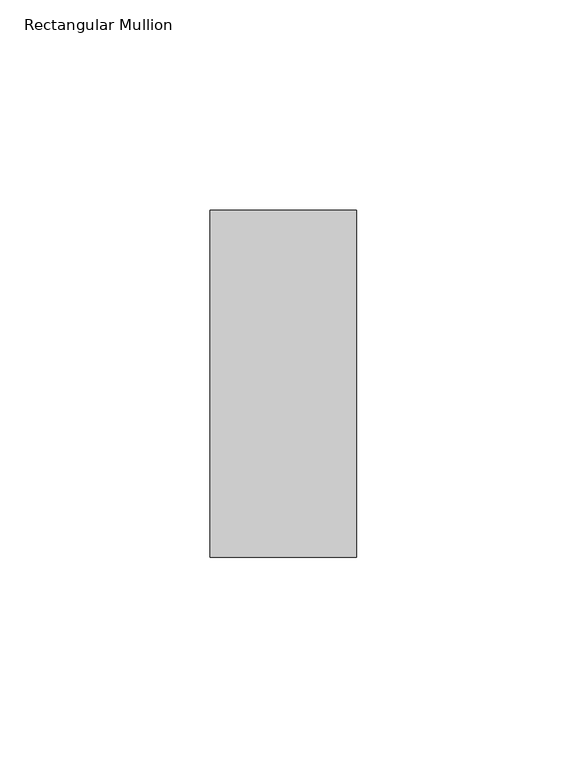
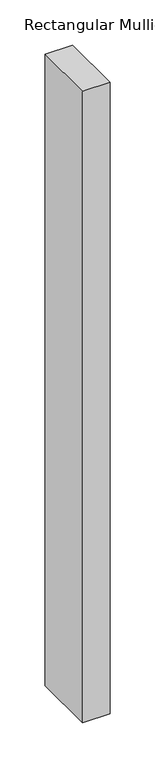
"""IFC4 building model written with IfcOpenShell, lengths in millimetres: member geometry, Rectangular Mullion."""

from ifc_helpers import new_model, si_unit, frame, origin, place, context, project, spatial, polyline, outline, extrude, source, transform, mapped, element, save


def rectangular_mullion_2208c6f8(model_context):
    return source(origin(), model_context, "Body", "SweptSolid", [
        extrude(outline(polyline([(-34.925, -73.025), (-34.925, 9.525), (0.0, 9.525), (0.0, -73.025), (-34.925, -73.025)])), frame((0.0, 0.0, -850.9), z_axis=(0.0, 0.0, 1.0), x_axis=(1.0, 0.0, 0.0)), (0.0, 0.0, 1.0), 850.9),
    ])


if __name__ == "__main__":
    model = new_model("IFC4")
    model_context = context("Model", 3, world=origin())
    ifc_project = project(units=[si_unit("LENGTHUNIT", "METRE", prefix="MILLI")], contexts=[model_context])
    site = spatial("IfcSite", under=ifc_project)
    building = spatial("IfcBuilding", under=site)
    placement = place(None, origin())
    rectangular_mullion_shape = rectangular_mullion_2208c6f8(model_context)
    element("IfcMember", 1, ObjectType="Rectangular Mullion", at=placement, inside=building, context=model_context, shape_type="MappedRepresentation", body=[
        mapped(rectangular_mullion_shape, transform((0.0, 0.0, 0.0), x_axis=(1.0, 0.0, 0.0), y_axis=(0.0, 1.0, 0.0), z_axis=(0.0, 0.0, 1.0))),
    ])
    save(model, "model.ifc")
